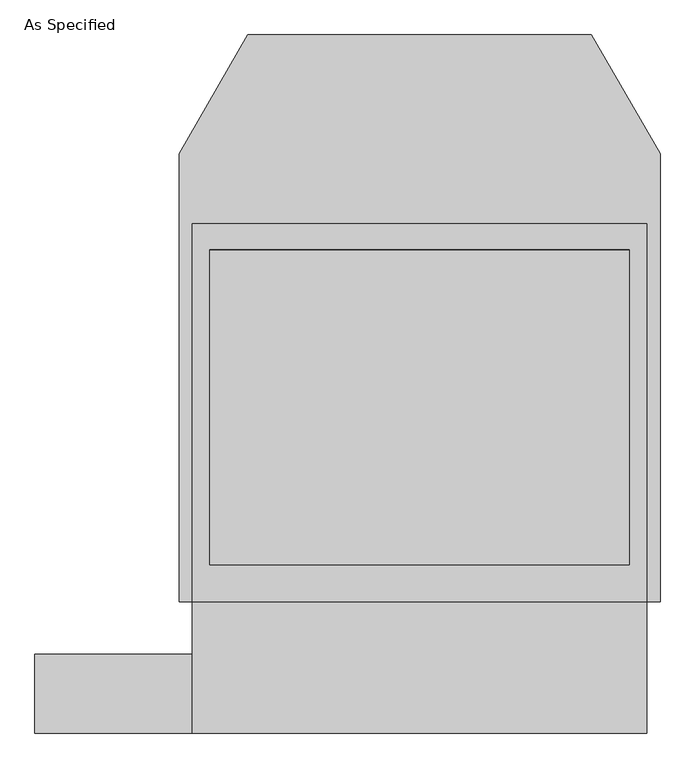
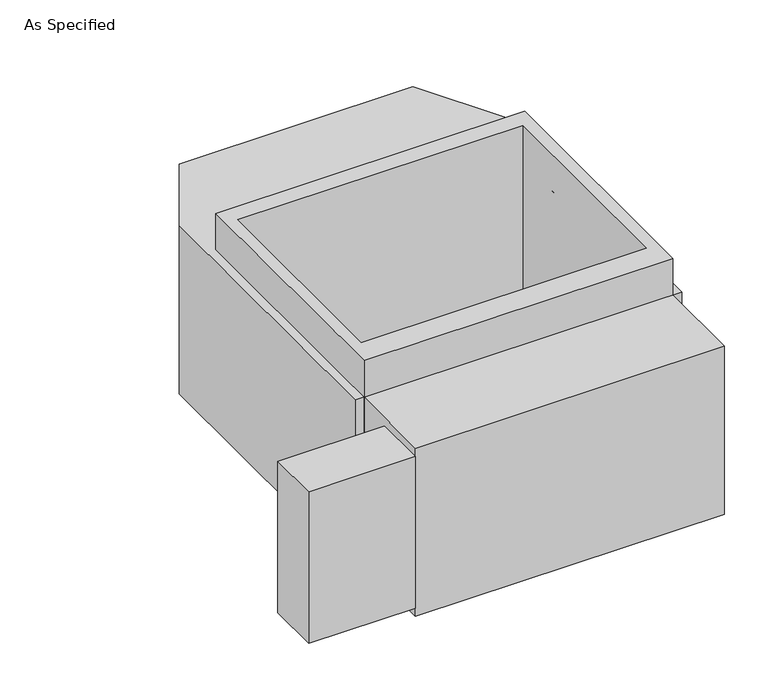
"""IFC4 building model written with IfcOpenShell, lengths in millimetres: proxy geometry, As Specified."""

from ifc_helpers import new_model, si_unit, frame, origin, place, context, project, spatial, polyline, outline, extrude, faceted_brep, source, transform, mapped, element, save


def as_specified_b45c2ce6(model_context):
    return source(origin(), model_context, "Body", "SolidModel", [
        extrude(outline(polyline([(-660.4, -1014.1148438), (-1117.6, -1014.1148438), (-1117.6, -785.5148438), (-660.4, -785.5148438), (-660.4, -1014.1148438)])), frame((0.0, 0.0, -749.3), z_axis=(0.0, 0.0, 1.0), x_axis=(1.0, 0.0, 0.0)), (0.0, 0.0, 1.0), 685.8),
        extrude(outline(polyline([(660.4, 465.4351562), (660.4, -633.1148438), (-660.4, -633.1148438), (-660.4, 465.4351562), (660.4, 465.4351562)]), holes=[polyline([(-609.6, 389.2748437), (-609.6, -525.1251563), (609.6, -525.1251563), (609.6, 389.2748437), (-609.6, 389.2748437)])]), frame((0.0, 0.0, -762.0), z_axis=(0.0, 0.0, 1.0), x_axis=(1.0, 0.0, 0.0)), (0.0, 0.0, 1.0), 901.7),
        faceted_brep([(660.4, -1014.1148438, -787.4), (-660.4, -1014.1148438, -787.4), (-660.4, -633.1148438, -787.4), (-698.5, -633.1148438, -787.4), (-698.5, 668.6748437, -787.4), (-499.060123, 1014.1148437, -787.4), (499.060123, 1014.1148437, -787.4), (698.5, 668.6748437, -787.4), (698.5, -633.1148438, -787.4), (660.4, -633.1148438, -787.4), (660.4, -1014.1148438, -25.4), (660.4, -633.1148438, -25.4), (698.5, -633.1148438, -25.4), (698.5, 668.6748437, -25.4), (499.060123, 1014.1148437, -25.4), (-499.060123, 1014.1148437, -25.4), (-698.5, 668.6748437, -25.4), (-698.5, -633.1148438, -25.4), (-660.4, -633.1148438, -25.4), (-660.4, -1014.1148438, -25.4), (609.6, 389.2748437, -25.4), (609.6, -525.1251563, -25.4), (-609.6, -525.1251563, -25.4), (-609.6, 389.2748437, -25.4), (609.6, 389.2748437, -762.0), (-609.6, 389.2748437, -762.0), (-609.6, -525.1251563, -762.0), (609.6, -525.1251563, -762.0)], [[[0, 1, 2, 3, 4, 5, 6, 7, 8, 9]], [[10, 11, 12, 13, 14, 15, 16, 17, 18, 19], [20, 21, 22, 23]], [[6, 5, 15, 14]], [[3, 17, 16, 4]], [[17, 3, 2, 18]], [[8, 12, 11, 9]], [[12, 8, 7, 13]], [[0, 9, 11, 10]], [[2, 1, 19, 18]], [[1, 0, 10, 19]], [[5, 4, 16, 15]], [[7, 6, 14, 13]], [[24, 25, 26, 27]], [[24, 27, 21, 20]], [[27, 26, 22, 21]], [[26, 25, 23, 22]], [[25, 24, 20, 23]]]),
    ])


if __name__ == "__main__":
    model = new_model("IFC4")
    model_context = context("Model", 3, world=origin())
    ifc_project = project(units=[si_unit("LENGTHUNIT", "METRE", prefix="MILLI")], contexts=[model_context])
    site = spatial("IfcSite", under=ifc_project)
    building = spatial("IfcBuilding", under=site)
    placement = place(None, origin())
    as_specified_shape = as_specified_b45c2ce6(model_context)
    element("IfcBuildingElementProxy", 1, Name="As Specified", ObjectType="As Specified", at=placement, inside=building, context=model_context, shape_type="MappedRepresentation", body=[
        mapped(as_specified_shape, transform((0.0, 0.0, 0.0), x_axis=(1.0, 0.0, 0.0), y_axis=(0.0, 1.0, 0.0), z_axis=(0.0, 0.0, 1.0))),
    ])
    save(model, "model.ifc")
